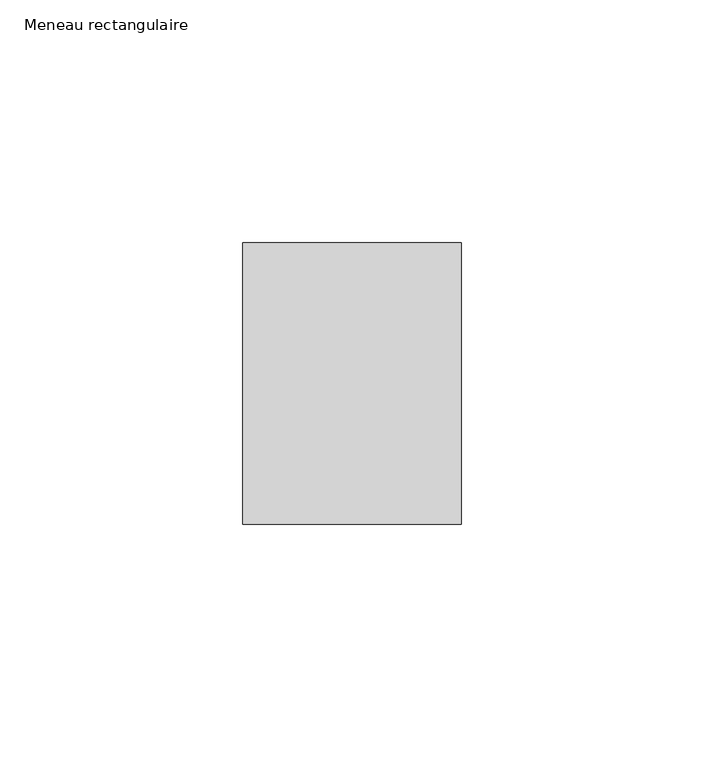
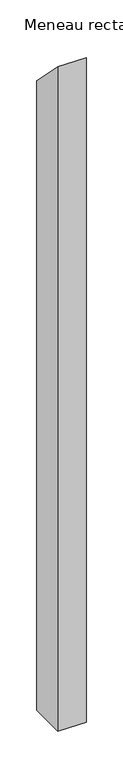
"""IFC4 building model written with IfcOpenShell, lengths in millimetres: member geometry, Meneau rectangulaire."""

from ifc_helpers import new_model, si_unit, frame, origin, place, context, project, spatial, polyline, outline, extrude, source, transform, mapped, element, save


def meneau_rectangulaire_7ef7d1bc(model_context):
    return source(origin(), model_context, "Body", "SweptSolid", [
        extrude(outline(polyline([(-29.0, 29.0), (29.0, -29.0), (29.0, -1081.5497356), (-29.0, -1081.5497356), (-29.0, 29.0)])), frame((-45.0, 0.0, 0.0), z_axis=(1.0, 0.0, 0.0), x_axis=(0.0, 1.0, 0.0)), (0.0, 0.0, 1.0), 45.0),
    ])


if __name__ == "__main__":
    model = new_model("IFC4")
    model_context = context("Model", 3, world=origin())
    ifc_project = project(units=[si_unit("LENGTHUNIT", "METRE", prefix="MILLI")], contexts=[model_context])
    site = spatial("IfcSite", under=ifc_project)
    building = spatial("IfcBuilding", under=site)
    placement = place(None, origin())
    meneau_rectangulaire_shape = meneau_rectangulaire_7ef7d1bc(model_context)
    element("IfcMember", 1, ObjectType="Meneau rectangulaire", at=placement, inside=building, context=model_context, shape_type="MappedRepresentation", body=[
        mapped(meneau_rectangulaire_shape, transform((0.0, 0.0, 0.0), x_axis=(1.0, 0.0, 0.0), y_axis=(0.0, 1.0, 0.0), z_axis=(0.0, 0.0, 1.0))),
    ])
    save(model, "model.ifc")
